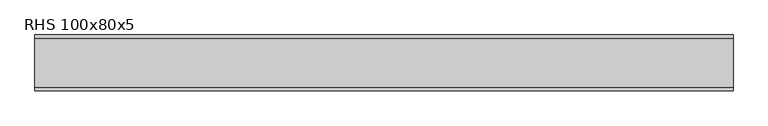
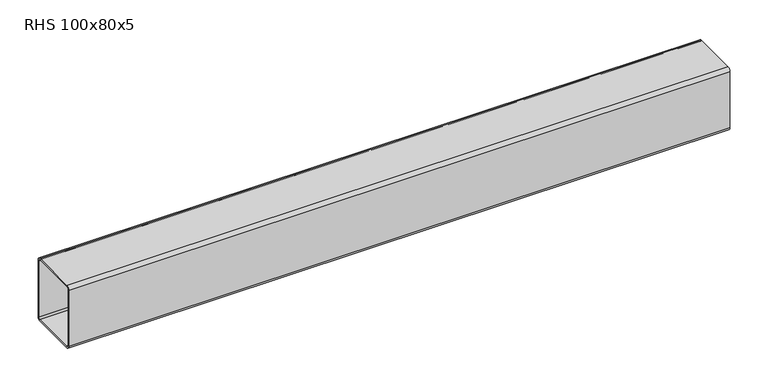
"""IFC4 building model written with IfcOpenShell, lengths in millimetres: beam geometry, RHS 100x80x5."""

from ifc_helpers import new_model, si_unit, point, frame, frame_2d, origin, place, context, project, spatial, polyline, circle_curve, trimmed, segment, composite_curve, outline, extrude, source, transform, mapped, element, save


def rhs_100x80x5_0d4343c2(model_context):
    return source(origin(), model_context, "Body", "SweptSolid", [
        extrude(outline(composite_curve([segment(polyline([(40.0, 45.0), (40.0, -45.0)]), True, "CONTINUOUS"), segment(trimmed(circle_curve(frame_2d((35.0, -45.0)), 5.0), [point((40.0, -45.0))], [point((35.0, -50.0))], False, "CARTESIAN"), True, "CONTINUOUS"), segment(polyline([(35.0, -50.0), (-35.0, -50.0)]), True, "CONTINUOUS"), segment(trimmed(circle_curve(frame_2d((-35.0, -45.0)), 5.0), [point((-35.0, -50.0))], [point((-40.0, -45.0))], False, "CARTESIAN"), True, "CONTINUOUS"), segment(polyline([(-40.0, -45.0), (-40.0, 45.0)]), True, "CONTINUOUS"), segment(trimmed(circle_curve(frame_2d((-35.0, 45.0)), 5.0), [point((-40.0, 45.0))], [point((-35.0, 50.0))], False, "CARTESIAN"), True, "CONTINUOUS"), segment(polyline([(-35.0, 50.0), (35.0, 50.0)]), True, "CONTINUOUS"), segment(trimmed(circle_curve(frame_2d((35.0, 45.0)), 5.0), [point((35.0, 50.0))], [point((40.0, 45.0))], False, "CARTESIAN"), True, "CONTINUOUS")], self_intersect=False), holes=[composite_curve([segment(trimmed(circle_curve(frame_2d((-35.0, 45.0)), 2.5), [point((-35.0, 47.5))], [point((-37.5, 45.0))], True, "CARTESIAN"), True, "CONTINUOUS"), segment(polyline([(-37.5, 45.0), (-37.5, -45.0)]), True, "CONTINUOUS"), segment(trimmed(circle_curve(frame_2d((-35.0, -45.0)), 2.5), [point((-37.5, -45.0))], [point((-35.0, -47.5))], True, "CARTESIAN"), True, "CONTINUOUS"), segment(polyline([(-35.0, -47.5), (35.0, -47.5)]), True, "CONTINUOUS"), segment(trimmed(circle_curve(frame_2d((35.0, -45.0)), 2.5), [point((35.0, -47.5))], [point((37.5, -45.0))], True, "CARTESIAN"), True, "CONTINUOUS"), segment(polyline([(37.5, -45.0), (37.5, 45.0)]), True, "CONTINUOUS"), segment(trimmed(circle_curve(frame_2d((35.0, 45.0)), 2.5), [point((37.5, 45.0))], [point((35.0, 47.5))], True, "CARTESIAN"), True, "CONTINUOUS"), segment(polyline([(35.0, 47.5), (-35.0, 47.5)]), True, "CONTINUOUS")], self_intersect=False)]), frame((-500.2856969, 0.0, 0.0), z_axis=(1.0, 0.0, 0.0), x_axis=(0.0, 1.0, 0.0)), (0.0, 0.0, 1.0), 1000.5713938),
    ])


if __name__ == "__main__":
    model = new_model("IFC4")
    model_context = context("Model", 3, world=origin())
    ifc_project = project(units=[si_unit("LENGTHUNIT", "METRE", prefix="MILLI")], contexts=[model_context])
    site = spatial("IfcSite", under=ifc_project)
    building = spatial("IfcBuilding", under=site)
    placement = place(None, origin())
    rhs_100x80x5_shape = rhs_100x80x5_0d4343c2(model_context)
    element("IfcBeam", 1, ObjectType="RHS 100x80x5", at=placement, inside=building, context=model_context, shape_type="MappedRepresentation", body=[
        mapped(rhs_100x80x5_shape, transform((0.0, 0.0, 0.0), x_axis=(1.0, 0.0, 0.0), y_axis=(0.0, 1.0, 0.0), z_axis=(0.0, 0.0, 1.0))),
    ])
    save(model, "model.ifc")
